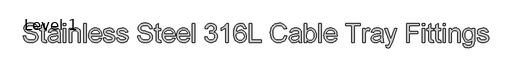
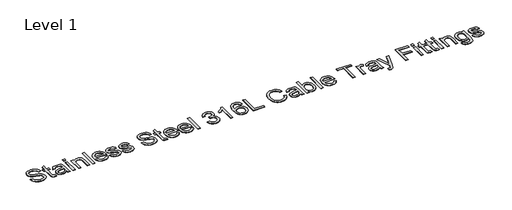
# One storey, part 11 of 15: 1 proxy.
"""IFC4 building model written with IfcOpenShell, lengths in millimetres."""

from ifc_helpers import new_model, si_unit, origin, origin_with_axes, place, context, project, spatial, polyline, outline, extrude, element, save

model = new_model("IFC4")

# Units and contexts
model_context = context("Model", 3, world=origin())
ifc_project = project(units=[si_unit("LENGTHUNIT", "METRE", prefix="MILLI")], contexts=[model_context])

# Site, building, storey
site = spatial("IfcSite", under=ifc_project)
building = spatial("IfcBuilding", under=site)
storey = spatial("IfcBuildingStorey", under=building, Name="Level 1", Elevation=0.0)

# Proxy
placement = place(None, origin())
element("IfcBuildingElementProxy", 1, Name="400mm", ObjectType="400mm", at=placement, inside=storey, context=model_context, shape_type="SweptSolid", body=[
    extrude(outline(polyline([(-15744.8412702, -39448.6970975), (-15695.8715732, -39448.6970975), (-15690.2524918, -39475.8719318), (-15680.0903232, -39497.7146165), (-15664.2373403, -39515.0500805), (-15641.5458157, -39528.7032528), (-15613.8090732, -39537.5622727), (-15582.8204369, -39540.5152794), (-15555.5380032, -39538.2796023), (-15531.6509293, -39531.572571), (-15512.2949871, -39520.9560938), (-15498.6059482, -39506.9920786), (-15490.4642579, -39490.9597633), (-15487.7503611, -39474.1383854), (-15489.7827948, -39457.7474053), (-15495.880096, -39443.5801468), (-15508.2659861, -39431.4931439), (-15529.1641869, -39421.3429309), (-15600.4667437, -39402.6445407), (-15647.2724965, -39390.2706061), (-15677.2210051, -39378.494446), (-15701.5982541, -39362.0197775), (-15718.8739407, -39342.0541051), (-15729.1676196, -39319.0278267), (-15732.598846, -39293.37134), (-15728.3546462, -39264.6901136), (-15715.6220467, -39237.9456771), (-15694.7358015, -39215.2780635), (-15666.0306642, -39198.8273059), (-15631.574935, -39188.8205587), (-15593.4369142, -39185.4849763), (-15552.1187323, -39188.9759801), (-15515.9653232, -39199.4489915), (-15486.2678801, -39216.6888116), (-15464.317596, -39240.4802415), (-15450.4253138, -39269.3408002), (-15444.9018763, -39301.7880066), (-15493.8715732, -39301.7880066), (-15502.8621035, -39272.5687831), (-15521.6083157, -39251.4792945), (-15550.8992721, -39238.7108286), (-15591.5240354, -39234.4546733), (-15633.105238, -39238.6630066), (-15649.0000652, -39243.9234233), (-15661.6310429, -39251.2880066), (-15678.1296225, -39269.8668419), (-15683.629149, -39291.9366809), (-15679.7316585, -39310.754626), (-15668.0391869, -39325.8902794), (-15640.3980884, -39339.4238968), (-15588.0808535, -39353.244446), (-15534.0898498, -39366.3715767), (-15501.4274445, -39377.8249385), (-15473.5113696, -39395.5908002), (-15454.0358725, -39417.5171733), (-15442.5944662, -39443.3649479), (-15438.7806642, -39472.8950142), (-15443.1683299, -39503.0826326), (-15456.331327, -39531.4769271), (-15477.7316585, -39555.9139536), (-15506.831327, -39574.229768), (-15541.8250534, -39585.6711742), (-15580.9075581, -39589.4849763), (-15628.8849492, -39585.3722869), (-15668.3739407, -39573.0342188), (-15699.8288412, -39552.4229498), (-15723.7039596, -39523.4906581), (-15739.0309009, -39488.2458665), (-15744.8412702, -39448.6970975)])), origin_with_axes(), (0.0, 0.0, 1.0), 5.0),
    extrude(outline(polyline([(-15267.3867248, -39542.5238021), (-15261.2655126, -39584.7984233), (-15297.8971414, -39589.4849763), (-15321.4016395, -39587.4525426), (-15338.9283914, -39581.3552415), (-15351.3142816, -39571.9582244), (-15359.3961945, -39560.026643), (-15363.8436376, -39539.534929), (-15365.3261187, -39504.4575142), (-15365.3261187, -39344.6364915), (-15402.0533914, -39344.6364915), (-15402.0533914, -39295.6667945), (-15365.3261187, -39295.6667945), (-15365.3261187, -39225.7510748), (-15316.3564217, -39196.9622491), (-15316.3564217, -39295.6667945), (-15267.3867248, -39295.6667945), (-15267.3867248, -39344.6364915), (-15316.3564217, -39344.6364915), (-15316.3564217, -39503.0228551), (-15313.7740354, -39528.2728551), (-15305.4051907, -39537.2155635), (-15288.7153232, -39540.5152794), (-15267.3867248, -39542.5238021)])), origin_with_axes(), (0.0, 0.0, 1.0), 5.0),
    extrude(outline(polyline([(-15034.7806642, -39546.6364915), (-15058.1775628, -39566.6978078), (-15082.2678801, -39579.8249385), (-15107.6015685, -39587.0699669), (-15134.7285808, -39589.4849763), (-15156.5324101, -39588.032384), (-15175.6522314, -39583.674607), (-15192.0880446, -39576.4116454), (-15205.8398498, -39566.2434991), (-15216.6984258, -39553.8157647), (-15224.4545515, -39539.7740388), (-15229.1082269, -39524.1183215), (-15230.659452, -39506.8486127), (-15228.3161755, -39486.5481866), (-15221.286346, -39468.1128172), (-15210.4427143, -39452.3315672), (-15196.6580316, -39439.9934991), (-15162.3696793, -39423.9253172), (-15119.9994142, -39416.5607339), (-15069.9298119, -39408.8135748), (-15035.067596, -39399.7274006), (-15034.7806642, -39388.8239915), (-15038.152113, -39366.9693513), (-15048.2664596, -39352.6705824), (-15070.8862513, -39342.0541051), (-15102.4009293, -39338.5152794), (-15131.5723308, -39340.8705114), (-15151.9444899, -39347.9362074), (-15165.8367721, -39361.0035606), (-15175.5685429, -39381.3637642), (-15224.5382399, -39375.2425521), (-15216.0378848, -39348.4622491), (-15203.3531073, -39327.4205824), (-15185.3003138, -39311.3284896), (-15160.6959104, -39299.3969081), (-15130.6039359, -39292.0084138), (-15096.0884293, -39289.5455824), (-15062.9836708, -39291.721482), (-15036.7413649, -39298.2491809), (-15016.955025, -39308.0646402), (-15003.2181642, -39320.103821), (-14994.1080789, -39334.9884091), (-14988.2020657, -39353.34009), (-14985.8109672, -39396.1885748), (-14985.8109672, -39457.1137642), (-14983.3242248, -39542.1890483), (-14973.5685429, -39583.3637642), (-15022.5382399, -39583.3637642), (-15030.3810429, -39566.339143), (-15034.7806642, -39546.6364915)]), holes=[polyline([(-15034.7806642, -39448.6970975), (-15067.6821793, -39456.8507434), (-15113.7825581, -39463.713196), (-15155.9137134, -39471.651643), (-15166.8769, -39477.0794366), (-15174.9946793, -39484.5635748), (-15180.0159861, -39493.5301941), (-15181.6897551, -39503.4054309), (-15178.0433299, -39517.9672206), (-15167.1040543, -39529.8988021), (-15149.1110382, -39537.86116), (-15124.3033914, -39540.5152794), (-15098.0013081, -39537.5861837), (-15074.7598308, -39528.7988968), (-15055.9179748, -39515.8510985), (-15042.8147551, -39500.4404688), (-15037.0043857, -39484.5635748), (-15035.067596, -39462.5654688), (-15034.7806642, -39448.6970975)])]), origin_with_axes(), (0.0, 0.0, 1.0), 5.0),
    extrude(outline(polyline([(-14918.4776339, -39583.3637642), (-14918.4776339, -39295.6667945), (-14869.5079369, -39295.6667945), (-14869.5079369, -39583.3637642), (-14918.4776339, -39583.3637642)])), origin_with_axes(), (0.0, 0.0, 1.0), 5.0),
    extrude(outline(polyline([(-14918.4776339, -39240.5758854), (-14918.4776339, -39191.6061885), (-14869.5079369, -39191.6061885), (-14869.5079369, -39240.5758854), (-14918.4776339, -39240.5758854)])), origin_with_axes(), (0.0, 0.0, 1.0), 5.0),
    extrude(outline(polyline([(-14796.0533914, -39583.3637642), (-14796.0533914, -39295.6667945), (-14747.0836945, -39295.6667945), (-14747.0836945, -39335.8372491), (-14730.0710287, -39315.5846449), (-14709.6390922, -39301.1184991), (-14685.7878848, -39292.4388116), (-14658.5174066, -39289.5455824), (-14634.3792674, -39291.8769034), (-14612.2735619, -39298.8708665), (-14593.8381926, -39309.6547206), (-14580.7110619, -39323.355715), (-14571.80422, -39339.937983), (-14566.0297172, -39359.3656581), (-14563.4473308, -39406.7094081), (-14563.4473308, -39583.3637642), (-14612.4170278, -39583.3637642), (-14612.4170278, -39413.30884), (-14613.8277759, -39387.987107), (-14618.0600202, -39369.9821354), (-14625.8669568, -39357.0821591), (-14638.0017816, -39347.0754119), (-14653.5558772, -39340.6553125), (-14671.6206263, -39338.5152794), (-14700.3018526, -39343.3213873), (-14724.7508346, -39357.7397112), (-14734.5214608, -39369.5098935), (-14741.5004795, -39385.5960085), (-14745.6878907, -39405.9980563), (-14747.0836945, -39430.7160369), (-14747.0836945, -39583.3637642), (-14796.0533914, -39583.3637642)])), origin_with_axes(), (0.0, 0.0, 1.0), 5.0),
    extrude(outline(polyline([(-14496.1139975, -39583.3637642), (-14496.1139975, -39191.6061885), (-14447.1443005, -39191.6061885), (-14447.1443005, -39583.3637642), (-14496.1139975, -39583.3637642)])), origin_with_axes(), (0.0, 0.0, 1.0), 5.0),
    extrude(outline(polyline([(-14172.2636187, -39497.6667945), (-14124.2503611, -39503.7880066), (-14131.6119556, -39523.0184162), (-14141.5499587, -39539.9653267), (-14154.0643704, -39554.6287382), (-14169.1551907, -39567.0086506), (-14186.6669982, -39576.8420431), (-14206.4443715, -39583.8658949), (-14252.7958157, -39589.4849763), (-14283.1806997, -39587.0610002), (-14310.2539123, -39579.789072), (-14334.0154535, -39567.6691915), (-14354.4653232, -39550.7013589), (-14370.9101031, -39529.3578161), (-14382.6563744, -39504.1108049), (-14389.7041372, -39474.9603255), (-14392.0533914, -39441.9063778), (-14389.6802262, -39407.7316028), (-14382.5607304, -39377.6097396), (-14370.6949042, -39351.5407884), (-14354.0827475, -39329.5247491), (-14333.6866774, -39312.0338636), (-14310.4691111, -39299.5403741), (-14284.4300486, -39292.0442803), (-14255.5694899, -39289.5455824), (-14227.6384707, -39292.0383026), (-14202.3795041, -39299.5164631), (-14179.7925901, -39311.9800639), (-14159.8777285, -39329.4291051), (-14143.6212477, -39351.3973224), (-14132.0094757, -39377.4184517), (-14125.0424125, -39407.4924929), (-14122.7200581, -39441.619446), (-14123.0069899, -39454.8183097), (-14343.0836945, -39454.8183097), (-14340.2472539, -39474.359562), (-14334.6072503, -39491.4738494), (-14326.1636838, -39506.1611719), (-14314.9165543, -39518.4215294), (-14286.4983488, -39534.9918419), (-14251.8393763, -39540.5152794), (-14225.7764028, -39537.956804), (-14203.8261187, -39530.2813778), (-14185.988524, -39517.0107813), (-14172.2636187, -39497.6667945)]), holes=[polyline([(-14343.0836945, -39405.8486127), (-14171.6897551, -39405.8486127), (-14178.3130979, -39379.9769271), (-14191.2967626, -39361.4698248), (-14204.6510477, -39351.4272112), (-14219.8464785, -39344.2539157), (-14255.7607778, -39338.5152794), (-14288.7698924, -39343.094233), (-14316.0642816, -39356.8310938), (-14335.0376481, -39378.2433807), (-14343.0836945, -39405.8486127)])]), origin_with_axes(), (0.0, 0.0, 1.0), 5.0),
    extrude(outline(polyline([(-14092.1139975, -39497.6667945), (-14043.1443005, -39491.5455824), (-14035.4210524, -39512.4916051), (-14020.4766869, -39527.8902794), (-13998.21556, -39537.3590294), (-13968.5420278, -39540.5152794), (-13939.2271604, -39537.6220502), (-13918.6158914, -39528.9423627), (-13906.4212892, -39516.3651847), (-13902.3564217, -39501.7794839), (-13906.4452001, -39489.2979498), (-13918.7115354, -39479.7813778), (-13969.1158914, -39465.8173627), (-14042.8573687, -39441.8585559), (-14061.5198924, -39429.819375), (-14075.0415543, -39413.8827036), (-14083.2549776, -39395.0647585), (-14085.9927854, -39374.3817566), (-14083.7929748, -39355.4083902), (-14077.1935429, -39337.8935938), (-14066.7922645, -39322.530786), (-14053.1869142, -39310.0133854), (-14022.0548119, -39295.5233286), (-13979.9236566, -39289.5455824), (-13948.0503138, -39291.9486364), (-13920.3374823, -39299.1577983), (-13898.0524445, -39310.4676941), (-13882.4624823, -39325.1729498), (-13872.1329369, -39344.3615152), (-13865.629149, -39369.12134), (-13914.598846, -39375.2425521), (-13920.7798356, -39359.8319224), (-13933.0103043, -39348.2231392), (-13951.4098071, -39340.9422443), (-13976.097899, -39338.5152794), (-14004.2172172, -39340.8346449), (-14022.9634293, -39347.7927415), (-14033.5081736, -39357.8353551), (-14037.0230884, -39369.4082718), (-14031.1888081, -39383.6592188), (-14012.9208157, -39394.4669839), (-13970.7418384, -39404.8921733), (-13898.8654179, -39427.9423627), (-13879.880096, -39438.9653267), (-13865.4856831, -39454.0531581), (-13856.4114643, -39473.253679), (-13853.3867248, -39496.6147112), (-13856.937506, -39520.7648059), (-13867.5898498, -39543.4802415), (-13884.9372693, -39562.9796496), (-13908.5732778, -39577.4816619), (-13937.1229937, -39586.4841477), (-13969.2115354, -39589.4849763), (-13995.5674184, -39588.0383617), (-14018.5877191, -39583.698518), (-14038.2724374, -39576.4654451), (-14054.6215732, -39566.339143), (-14067.9758583, -39553.3674337), (-14078.676024, -39537.5981392), (-14086.7220704, -39519.0312595), (-14092.1139975, -39497.6667945)])), origin_with_axes(), (0.0, 0.0, 1.0), 5.0),
    extrude(outline(polyline([(-13816.659452, -39497.6667945), (-13767.6897551, -39491.5455824), (-13759.966507, -39512.4916051), (-13745.0221414, -39527.8902794), (-13722.7610145, -39537.3590294), (-13693.0874823, -39540.5152794), (-13663.7726149, -39537.6220502), (-13643.161346, -39528.9423627), (-13630.9667437, -39516.3651847), (-13626.9018763, -39501.7794839), (-13630.9906547, -39489.2979498), (-13643.2569899, -39479.7813778), (-13693.661346, -39465.8173627), (-13767.4028232, -39441.8585559), (-13786.0653469, -39429.819375), (-13799.5870089, -39413.8827036), (-13807.8004321, -39395.0647585), (-13810.5382399, -39374.3817566), (-13808.3384293, -39355.4083902), (-13801.7389975, -39337.8935938), (-13791.3377191, -39322.530786), (-13777.7323687, -39310.0133854), (-13746.6002664, -39295.5233286), (-13704.4691111, -39289.5455824), (-13672.5957683, -39291.9486364), (-13644.8829369, -39299.1577983), (-13622.597899, -39310.4676941), (-13607.0079369, -39325.1729498), (-13596.6783914, -39344.3615152), (-13590.1746035, -39369.12134), (-13639.1443005, -39375.2425521), (-13645.3252901, -39359.8319224), (-13657.5557589, -39348.2231392), (-13675.9552617, -39340.9422443), (-13700.6433535, -39338.5152794), (-13728.7626717, -39340.8346449), (-13747.5088839, -39347.7927415), (-13758.0536282, -39357.8353551), (-13761.5685429, -39369.4082718), (-13755.7342626, -39383.6592188), (-13737.4662702, -39394.4669839), (-13695.2872929, -39404.8921733), (-13623.4108725, -39427.9423627), (-13604.4255505, -39438.9653267), (-13590.0311376, -39454.0531581), (-13580.9569189, -39473.253679), (-13577.9321793, -39496.6147112), (-13581.4829606, -39520.7648059), (-13592.1353043, -39543.4802415), (-13609.4827238, -39562.9796496), (-13633.1187323, -39577.4816619), (-13661.6684482, -39586.4841477), (-13693.7569899, -39589.4849763), (-13720.112873, -39588.0383617), (-13743.1331736, -39583.698518), (-13762.8178919, -39576.4654451), (-13779.1670278, -39566.339143), (-13792.5213128, -39553.3674337), (-13803.2214785, -39537.5981392), (-13811.267525, -39519.0312595), (-13816.659452, -39497.6667945)])), origin_with_axes(), (0.0, 0.0, 1.0), 5.0),
    extrude(outline(polyline([(-13382.0533914, -39448.6970975), (-13333.0836945, -39448.6970975), (-13327.464613, -39475.8719318), (-13317.3024445, -39497.7146165), (-13301.4494615, -39515.0500805), (-13278.7579369, -39528.7032528), (-13251.0211945, -39537.5622727), (-13220.0325581, -39540.5152794), (-13192.7501244, -39538.2796023), (-13168.8630505, -39531.572571), (-13149.5071083, -39520.9560938), (-13135.8180695, -39506.9920786), (-13127.6763791, -39490.9597633), (-13124.9624823, -39474.1383854), (-13126.994916, -39457.7474053), (-13133.0922172, -39443.5801468), (-13145.4781073, -39431.4931439), (-13166.3763081, -39421.3429309), (-13237.6788649, -39402.6445407), (-13284.4846178, -39390.2706061), (-13314.4331263, -39378.494446), (-13338.8103753, -39362.0197775), (-13356.0860619, -39342.0541051), (-13366.3797409, -39319.0278267), (-13369.8109672, -39293.37134), (-13365.5667674, -39264.6901136), (-13352.8341679, -39237.9456771), (-13331.9479227, -39215.2780635), (-13303.2427854, -39198.8273059), (-13268.7870562, -39188.8205587), (-13230.6490354, -39185.4849763), (-13189.3308535, -39188.9759801), (-13153.1774445, -39199.4489915), (-13123.4800013, -39216.6888116), (-13101.5297172, -39240.4802415), (-13087.637435, -39269.3408002), (-13082.1139975, -39301.7880066), (-13131.0836945, -39301.7880066), (-13140.0742248, -39272.5687831), (-13158.8204369, -39251.4792945), (-13188.1113933, -39238.7108286), (-13228.7361566, -39234.4546733), (-13270.3173592, -39238.6630066), (-13286.2121864, -39243.9234233), (-13298.8431642, -39251.2880066), (-13315.3417437, -39269.8668419), (-13320.8412702, -39291.9366809), (-13316.9437797, -39310.754626), (-13305.2513081, -39325.8902794), (-13277.6102096, -39339.4238968), (-13225.2929748, -39353.244446), (-13171.301971, -39366.3715767), (-13138.6395657, -39377.8249385), (-13110.7234909, -39395.5908002), (-13091.2479937, -39417.5171733), (-13079.8065875, -39443.3649479), (-13075.9927854, -39472.8950142), (-13080.3804511, -39503.0826326), (-13093.5434482, -39531.4769271), (-13114.9437797, -39555.9139536), (-13144.0434482, -39574.229768), (-13179.0371746, -39585.6711742), (-13218.1196793, -39589.4849763), (-13266.0970704, -39585.3722869), (-13305.5860619, -39573.0342188), (-13337.0409625, -39552.4229498), (-13360.9160808, -39523.4906581), (-13376.2430221, -39488.2458665), (-13382.0533914, -39448.6970975)])), origin_with_axes(), (0.0, 0.0, 1.0), 5.0),
    extrude(outline(polyline([(-12904.598846, -39542.5238021), (-12898.4776339, -39584.7984233), (-12935.1092626, -39589.4849763), (-12958.6137607, -39587.4525426), (-12976.1405126, -39581.3552415), (-12988.5264028, -39571.9582244), (-12996.6083157, -39560.026643), (-13001.0557589, -39539.534929), (-13002.5382399, -39504.4575142), (-13002.5382399, -39344.6364915), (-13039.2655126, -39344.6364915), (-13039.2655126, -39295.6667945), (-13002.5382399, -39295.6667945), (-13002.5382399, -39225.7510748), (-12953.5685429, -39196.9622491), (-12953.5685429, -39295.6667945), (-12904.598846, -39295.6667945), (-12904.598846, -39344.6364915), (-12953.5685429, -39344.6364915), (-12953.5685429, -39503.0228551), (-12950.9861566, -39528.2728551), (-12942.6173119, -39537.2155635), (-12925.9274445, -39540.5152794), (-12904.598846, -39542.5238021)])), origin_with_axes(), (0.0, 0.0, 1.0), 5.0),
    extrude(outline(polyline([(-12654.2030126, -39497.6667945), (-12606.1897551, -39503.7880066), (-12613.5513495, -39523.0184162), (-12623.4893526, -39539.9653267), (-12636.0037643, -39554.6287382), (-12651.0945846, -39567.0086506), (-12668.6063921, -39576.8420431), (-12688.3837655, -39583.8658949), (-12734.7352096, -39589.4849763), (-12765.1200936, -39587.0610002), (-12792.1933062, -39579.789072), (-12815.9548474, -39567.6691915), (-12836.4047172, -39550.7013589), (-12852.849497, -39529.3578161), (-12864.5957683, -39504.1108049), (-12871.6435311, -39474.9603255), (-12873.9927854, -39441.9063778), (-12871.6196201, -39407.7316028), (-12864.5001244, -39377.6097396), (-12852.6342982, -39351.5407884), (-12836.0221414, -39329.5247491), (-12815.6260714, -39312.0338636), (-12792.4085051, -39299.5403741), (-12766.3694426, -39292.0442803), (-12737.5088839, -39289.5455824), (-12709.5778647, -39292.0383026), (-12684.3188981, -39299.5164631), (-12661.731984, -39311.9800639), (-12641.8171225, -39329.4291051), (-12625.5606417, -39351.3973224), (-12613.9488696, -39377.4184517), (-12606.9818064, -39407.4924929), (-12604.659452, -39441.619446), (-12604.9463839, -39454.8183097), (-12825.0230884, -39454.8183097), (-12822.1866478, -39474.359562), (-12816.5466443, -39491.4738494), (-12808.1030777, -39506.1611719), (-12796.8559482, -39518.4215294), (-12768.4377428, -39534.9918419), (-12733.7787702, -39540.5152794), (-12707.7157967, -39537.956804), (-12685.7655126, -39530.2813778), (-12667.9279179, -39517.0107813), (-12654.2030126, -39497.6667945)]), holes=[polyline([(-12825.0230884, -39405.8486127), (-12653.629149, -39405.8486127), (-12660.2524918, -39379.9769271), (-12673.2361566, -39361.4698248), (-12686.5904416, -39351.4272112), (-12701.7858725, -39344.2539157), (-12737.7001717, -39338.5152794), (-12770.7092863, -39343.094233), (-12798.0036755, -39356.8310938), (-12816.977042, -39378.2433807), (-12825.0230884, -39405.8486127)])]), origin_with_axes(), (0.0, 0.0, 1.0), 5.0),
    extrude(outline(polyline([(-12354.2636187, -39497.6667945), (-12306.2503611, -39503.7880066), (-12313.6119556, -39523.0184162), (-12323.5499587, -39539.9653267), (-12336.0643704, -39554.6287382), (-12351.1551907, -39567.0086506), (-12368.6669982, -39576.8420431), (-12388.4443715, -39583.8658949), (-12434.7958157, -39589.4849763), (-12465.1806997, -39587.0610002), (-12492.2539123, -39579.789072), (-12516.0154535, -39567.6691915), (-12536.4653232, -39550.7013589), (-12552.9101031, -39529.3578161), (-12564.6563744, -39504.1108049), (-12571.7041372, -39474.9603255), (-12574.0533914, -39441.9063778), (-12571.6802262, -39407.7316028), (-12564.5607304, -39377.6097396), (-12552.6949042, -39351.5407884), (-12536.0827475, -39329.5247491), (-12515.6866774, -39312.0338636), (-12492.4691111, -39299.5403741), (-12466.4300486, -39292.0442803), (-12437.5694899, -39289.5455824), (-12409.6384707, -39292.0383026), (-12384.3795041, -39299.5164631), (-12361.7925901, -39311.9800639), (-12341.8777285, -39329.4291051), (-12325.6212477, -39351.3973224), (-12314.0094757, -39377.4184517), (-12307.0424125, -39407.4924929), (-12304.7200581, -39441.619446), (-12305.0069899, -39454.8183097), (-12525.0836945, -39454.8183097), (-12522.2472539, -39474.359562), (-12516.6072503, -39491.4738494), (-12508.1636838, -39506.1611719), (-12496.9165543, -39518.4215294), (-12468.4983488, -39534.9918419), (-12433.8393763, -39540.5152794), (-12407.7764028, -39537.956804), (-12385.8261187, -39530.2813778), (-12367.988524, -39517.0107813), (-12354.2636187, -39497.6667945)]), holes=[polyline([(-12525.0836945, -39405.8486127), (-12353.6897551, -39405.8486127), (-12360.3130979, -39379.9769271), (-12373.2967626, -39361.4698248), (-12386.6510477, -39351.4272112), (-12401.8464785, -39344.2539157), (-12437.7607778, -39338.5152794), (-12470.7698924, -39343.094233), (-12498.0642816, -39356.8310938), (-12517.0376481, -39378.2433807), (-12525.0836945, -39405.8486127)])]), origin_with_axes(), (0.0, 0.0, 1.0), 5.0),
    extrude(outline(polyline([(-12255.7503611, -39583.3637642), (-12255.7503611, -39191.6061885), (-12206.7806642, -39191.6061885), (-12206.7806642, -39583.3637642), (-12255.7503611, -39583.3637642)])), origin_with_axes(), (0.0, 0.0, 1.0), 5.0),
    extrude(outline(polyline([(-11992.5382399, -39479.3031581), (-11943.5685429, -39473.181946), (-11932.6053564, -39503.9553835), (-11916.5491301, -39524.7340294), (-11894.6108015, -39536.5699669), (-11866.0013081, -39540.5152794), (-11832.4302854, -39535.0874858), (-11818.5140922, -39528.3027438), (-11806.5107778, -39518.8041051), (-11789.9404653, -39494.5105445), (-11784.4170278, -39465.0522112), (-11789.8926433, -39437.0883144), (-11806.3194899, -39414.4087453), (-11831.1869142, -39399.3806913), (-11861.9842626, -39394.37134), (-11896.3204369, -39399.7274006), (-11890.8687323, -39350.7577036), (-11883.0259293, -39351.3315672), (-11853.6871509, -39347.8166525), (-11827.4568005, -39337.2719081), (-11816.6609909, -39329.2975947), (-11808.9496982, -39319.4343135), (-11804.3229227, -39307.6820644), (-11802.7806642, -39294.0408475), (-11807.2520183, -39272.8915814), (-11820.6660808, -39255.7354498), (-11841.1338839, -39244.3657765), (-11866.7664596, -39240.5758854), (-11892.4468573, -39244.401643), (-11913.440702, -39255.8789157), (-11928.7676433, -39275.0077036), (-11937.4473308, -39301.7880066), (-11986.4170278, -39295.6667945), (-11980.6126362, -39272.2878291), (-11971.9987039, -39251.6944934), (-11960.5752309, -39233.8867874), (-11946.3422172, -39218.8647112), (-11929.7479937, -39206.9391075), (-11911.2408914, -39198.4208191), (-11890.8209104, -39193.3098461), (-11868.4880505, -39191.6061885), (-11837.7026575, -39194.9656818), (-11809.4279179, -39205.0441619), (-11785.588666, -39220.9449669), (-11768.1097361, -39241.7714347), (-11757.3856594, -39265.766108), (-11753.8109672, -39291.1715294), (-11757.206327, -39314.8434044), (-11767.3924066, -39336.3154688), (-11784.2257399, -39354.6073722), (-11807.5628611, -39368.7387642), (-11776.9089785, -39381.1246544), (-11754.1935429, -39402.214143), (-11740.1338839, -39430.8595028), (-11735.4473308, -39465.9130066), (-11737.7906073, -39490.7565199), (-11744.8204369, -39513.6393324), (-11756.5368195, -39534.5614441), (-11772.9397551, -39553.5228551), (-11792.9233607, -39569.2562831), (-11815.3817532, -39580.494446), (-11840.3149326, -39587.2373438), (-11867.722899, -39589.4849763), (-11892.4946793, -39587.5661198), (-11915.066649, -39581.8095502), (-11935.4388081, -39572.2152675), (-11953.6111566, -39558.7832718), (-11968.8484317, -39542.3026255), (-11980.4153706, -39523.5623911), (-11988.3119733, -39502.5625687), (-11992.5382399, -39479.3031581)])), origin_with_axes(), (0.0, 0.0, 1.0), 5.0),
    extrude(outline(polyline([(-11508.9624823, -39583.3637642), (-11557.9321793, -39583.3637642), (-11557.9321793, -39278.0683097), (-11578.3760714, -39294.6027557), (-11604.3194899, -39311.1132907), (-11655.8715732, -39335.8372491), (-11655.8715732, -39289.5455824), (-11617.4107541, -39268.6234706), (-11584.0907967, -39243.7321354), (-11557.8245799, -39217.2626752), (-11540.5249823, -39191.6061885), (-11508.9624823, -39191.6061885), (-11508.9624823, -39583.3637642)])), origin_with_axes(), (0.0, 0.0, 1.0), 5.0),
    extrude(outline(polyline([(-11141.6897551, -39295.6667945), (-11190.659452, -39301.7880066), (-11198.550077, -39277.518357), (-11209.2143763, -39260.9480445), (-11231.4276812, -39245.6689252), (-11258.2797172, -39240.5758854), (-11281.0429748, -39243.5408475), (-11302.4672172, -39252.4357339), (-11320.86672, -39271.1699905), (-11335.894774, -39296.9579877), (-11346.0449871, -39333.4341951), (-11349.8109672, -39384.2330824), (-11330.1680931, -39361.3144034), (-11306.6277285, -39345.1625331), (-11280.5049776, -39335.5861837), (-11253.1149445, -39332.3940672), (-11229.5865354, -39334.5759446), (-11207.8753611, -39341.1215767), (-11187.9814217, -39352.0309635), (-11169.9047172, -39367.3041051), (-11154.882641, -39386.032384), (-11144.1525865, -39407.3071828), (-11137.7145538, -39431.1285014), (-11135.5685429, -39457.49634), (-11139.6094994, -39492.5617992), (-11151.7323687, -39525.0687831), (-11170.9328895, -39552.6381487), (-11196.2068005, -39572.8907528), (-11226.4063744, -39585.3364205), (-11260.3838839, -39589.4849763), (-11289.5762075, -39586.7352131), (-11315.9410571, -39578.4859233), (-11339.4784329, -39564.737107), (-11360.1883346, -39545.4887642), (-11377.0724788, -39519.9279214), (-11389.1325818, -39487.2416051), (-11396.3686436, -39447.4298153), (-11398.7806642, -39400.4925521), (-11396.1026339, -39347.8704522), (-11388.0685429, -39302.9596449), (-11374.6783914, -39265.7601302), (-11355.9321793, -39236.2719081), (-11335.6138199, -39216.7306558), (-11312.0555221, -39202.7726184), (-11285.2572858, -39194.3977959), (-11255.2191111, -39191.6061885), (-11232.6650747, -39193.3337571), (-11212.2510714, -39198.5164631), (-11193.9771012, -39207.1543063), (-11177.8431642, -39219.2472869), (-11164.2856357, -39234.3889181), (-11153.7408914, -39252.1727131), (-11146.2089312, -39272.5986719), (-11141.6897551, -39295.6667945)]), holes=[polyline([(-11349.8109672, -39456.7311885), (-11346.9775155, -39478.4304072), (-11338.4771604, -39499.1492756), (-11325.2782967, -39516.9629593), (-11308.3493195, -39529.9466241), (-11287.9173829, -39537.8731155), (-11264.2096414, -39540.5152794), (-11231.8939454, -39535.0396638), (-11218.3274504, -39528.1951444), (-11206.488524, -39518.6128172), (-11196.8852747, -39506.6812358), (-11190.0258109, -39492.7889536), (-11184.5382399, -39459.1222869), (-11189.954078, -39426.8065909), (-11196.7238756, -39413.5270277), (-11206.2015922, -39402.166321), (-11218.076385, -39393.0652024), (-11232.0374113, -39386.5644034), (-11266.2181642, -39381.3637642), (-11298.4860382, -39386.5644034), (-11325.4695846, -39402.166321), (-11336.1189395, -39413.377584), (-11343.7256215, -39426.2088163), (-11348.2896308, -39440.6600178), (-11349.8109672, -39456.7311885)])]), origin_with_axes(), (0.0, 0.0, 1.0), 5.0),
    extrude(outline(polyline([(-11074.3564217, -39583.3637642), (-11074.3564217, -39191.6061885), (-11025.3867248, -39191.6061885), (-11025.3867248, -39534.3940672), (-10829.5079369, -39534.3940672), (-10829.5079369, -39583.3637642), (-11074.3564217, -39583.3637642)])), origin_with_axes(), (0.0, 0.0, 1.0), 5.0),
    extrude(outline(polyline([(-10345.9321793, -39444.1061885), (-10296.9624823, -39456.7311885), (-10306.6524089, -39487.1848165), (-10319.558363, -39513.7947538), (-10335.6803446, -39536.5610002), (-10355.0183535, -39555.4835559), (-10377.1360145, -39570.3591773), (-10401.596952, -39580.9846212), (-10428.401166, -39587.3598876), (-10457.5486566, -39589.4849763), (-10487.4104878, -39587.8769626), (-10514.3492011, -39583.0529214), (-10538.3647965, -39575.0128528), (-10559.457274, -39563.7567566), (-10577.9165543, -39549.4520099), (-10594.0325581, -39532.2659896), (-10607.8052854, -39512.1986956), (-10619.2347361, -39489.2501278), (-10634.6214549, -39438.6783949), (-10639.7503611, -39384.5200142), (-10633.9519473, -39327.3966714), (-10626.70393, -39301.7581179), (-10616.5567058, -39278.0683097), (-10603.7374291, -39256.7187891), (-10588.4732541, -39238.1010985), (-10570.764181, -39222.2152379), (-10550.6102096, -39209.0612074), (-10505.7053801, -39191.3790341), (-10456.4965732, -39185.4849763), (-10428.4878434, -39187.3918774), (-10402.8044568, -39193.1125805), (-10379.4464134, -39202.6470857), (-10358.4137134, -39215.995393), (-10340.0530659, -39232.8048153), (-10324.7111803, -39252.7226657), (-10312.3880564, -39275.7489441), (-10303.0836945, -39301.8836506), (-10352.0533914, -39313.5522112), (-10369.0301907, -39277.8411553), (-10392.223846, -39253.3443513), (-10421.9212892, -39239.1770928), (-10458.409452, -39234.4546733), (-10500.4688744, -39239.691179), (-10535.0202475, -39255.400696), (-10561.2386424, -39279.9333665), (-10578.2991301, -39311.6393324), (-10587.6602806, -39347.4818987), (-10590.7806642, -39384.4243703), (-10587.086417, -39429.6639536), (-10576.0036755, -39468.7823248), (-10557.1139975, -39500.2850474), (-10529.9989407, -39522.6776847), (-10497.4919568, -39536.0558807), (-10462.4264975, -39540.5152794), (-10441.1367544, -39538.9969318), (-10421.5506689, -39534.4418892), (-10403.6682411, -39526.8501515), (-10387.489471, -39516.2217188), (-10373.3969343, -39502.6044129), (-10361.7732068, -39486.0460559), (-10352.6182884, -39466.5466477), (-10345.9321793, -39444.1061885)])), origin_with_axes(), (0.0, 0.0, 1.0), 5.0),
    extrude(outline(polyline([(-10052.1139975, -39546.6364915), (-10075.5108962, -39566.6978078), (-10099.6012134, -39579.8249385), (-10124.9349018, -39587.0699669), (-10152.0619142, -39589.4849763), (-10173.8657435, -39588.032384), (-10192.9855647, -39583.674607), (-10209.4213779, -39576.4116454), (-10223.1731831, -39566.2434991), (-10234.0317591, -39553.8157647), (-10241.7878848, -39539.7740388), (-10246.4415602, -39524.1183215), (-10247.9927854, -39506.8486127), (-10245.6495089, -39486.5481866), (-10238.6196793, -39468.1128172), (-10227.7760477, -39452.3315672), (-10213.9913649, -39439.9934991), (-10179.7030126, -39423.9253172), (-10137.3327475, -39416.5607339), (-10087.2631452, -39408.8135748), (-10052.4009293, -39399.7274006), (-10052.1139975, -39388.8239915), (-10055.4854464, -39366.9693513), (-10065.5997929, -39352.6705824), (-10088.2195846, -39342.0541051), (-10119.7342626, -39338.5152794), (-10148.9056642, -39340.8705114), (-10169.2778232, -39347.9362074), (-10183.1701054, -39361.0035606), (-10192.9018763, -39381.3637642), (-10241.8715732, -39375.2425521), (-10233.3712181, -39348.4622491), (-10220.6864407, -39327.4205824), (-10202.6336471, -39311.3284896), (-10178.0292437, -39299.3969081), (-10147.9372693, -39292.0084138), (-10113.4217626, -39289.5455824), (-10080.3170041, -39291.721482), (-10054.0746982, -39298.2491809), (-10034.2883583, -39308.0646402), (-10020.5514975, -39320.103821), (-10011.4414123, -39334.9884091), (-10005.535399, -39353.34009), (-10003.1443005, -39396.1885748), (-10003.1443005, -39457.1137642), (-10000.6575581, -39542.1890483), (-9990.9018763, -39583.3637642), (-10039.8715732, -39583.3637642), (-10047.7143763, -39566.339143), (-10052.1139975, -39546.6364915)]), holes=[polyline([(-10052.1139975, -39448.6970975), (-10085.0155126, -39456.8507434), (-10131.1158914, -39463.713196), (-10173.2470467, -39471.651643), (-10184.2102333, -39477.0794366), (-10192.3280126, -39484.5635748), (-10197.3493195, -39493.5301941), (-10199.0230884, -39503.4054309), (-10195.3766632, -39517.9672206), (-10184.4373876, -39529.8988021), (-10166.4443715, -39537.86116), (-10141.6367248, -39540.5152794), (-10115.3346414, -39537.5861837), (-10092.0931642, -39528.7988968), (-10073.2513081, -39515.8510985), (-10060.1480884, -39500.4404688), (-10054.3377191, -39484.5635748), (-10052.4009293, -39462.5654688), (-10052.1139975, -39448.6970975)])]), origin_with_axes(), (0.0, 0.0, 1.0), 5.0),
    extrude(outline(polyline([(-9886.8412702, -39583.3637642), (-9935.8109672, -39583.3637642), (-9935.8109672, -39191.6061885), (-9886.8412702, -39191.6061885), (-9886.8412702, -39336.8893324), (-9870.7372219, -39316.1764418), (-9852.5529179, -39301.3815199), (-9832.2883583, -39292.5045668), (-9809.9435429, -39289.5455824), (-9784.7174539, -39292.2116572), (-9760.878202, -39300.2098816), (-9739.7887134, -39313.038125), (-9722.8119142, -39330.1942566), (-9709.5054511, -39351.5108996), (-9699.426971, -39376.8206771), (-9693.0786045, -39405.0715057), (-9690.9624823, -39435.2113021), (-9693.1533263, -39469.9898296), (-9699.7258583, -39500.5839347), (-9710.6800782, -39526.9936174), (-9726.0159861, -39549.2188778), (-9744.4244556, -39566.8352959), (-9764.5963602, -39579.4184517), (-9786.5316999, -39586.9683452), (-9810.2304748, -39589.4849763), (-9833.3105529, -39586.2390601), (-9853.7723782, -39576.5013116), (-9871.6159506, -39560.2717306), (-9886.8412702, -39537.5503172), (-9886.8412702, -39583.3637642)]), holes=[polyline([(-9886.8412702, -39437.5067566), (-9883.4937323, -39478.3467188), (-9873.4511187, -39505.9878172), (-9861.5852925, -39521.0935819), (-9847.794632, -39531.8834138), (-9832.0791372, -39538.357313), (-9814.4388081, -39540.5152794), (-9799.7933299, -39538.9251989), (-9786.176024, -39534.1549574), (-9762.0259293, -39515.0739915), (-9752.3599137, -39500.7931558), (-9745.4556168, -39483.3919366), (-9739.9321793, -39439.2283475), (-9745.2284625, -39394.4191619), (-9751.8488164, -39377.0717424), (-9761.1173119, -39363.0957718), (-9784.5142106, -39344.6604025), (-9797.8714845, -39340.0515601), (-9812.3346414, -39338.5152794), (-9826.9801196, -39340.1053599), (-9840.5974255, -39344.8756013), (-9864.7475202, -39363.9565672), (-9874.4135358, -39378.093937), (-9881.3178327, -39395.0647585), (-9886.8412702, -39437.5067566)])]), origin_with_axes(), (0.0, 0.0, 1.0), 5.0),
    extrude(outline(polyline([(-9635.8715732, -39583.3637642), (-9635.8715732, -39191.6061885), (-9586.9018763, -39191.6061885), (-9586.9018763, -39583.3637642), (-9635.8715732, -39583.3637642)])), origin_with_axes(), (0.0, 0.0, 1.0), 5.0),
    extrude(outline(polyline([(-9312.0211945, -39497.6667945), (-9264.0079369, -39503.7880066), (-9271.3695313, -39523.0184162), (-9281.3075344, -39539.9653267), (-9293.8219461, -39554.6287382), (-9308.9127664, -39567.0086506), (-9326.424574, -39576.8420431), (-9346.2019473, -39583.8658949), (-9392.5533914, -39589.4849763), (-9422.9382754, -39587.0610002), (-9450.011488, -39579.789072), (-9473.7730292, -39567.6691915), (-9494.222899, -39550.7013589), (-9510.6676788, -39529.3578161), (-9522.4139501, -39504.1108049), (-9529.4617129, -39474.9603255), (-9531.8109672, -39441.9063778), (-9529.4378019, -39407.7316028), (-9522.3183062, -39377.6097396), (-9510.45248, -39351.5407884), (-9493.8403232, -39329.5247491), (-9473.4442532, -39312.0338636), (-9450.2266869, -39299.5403741), (-9424.1876244, -39292.0442803), (-9395.3270657, -39289.5455824), (-9367.3960465, -39292.0383026), (-9342.1370799, -39299.5164631), (-9319.5501658, -39311.9800639), (-9299.6353043, -39329.4291051), (-9283.3788235, -39351.3973224), (-9271.7670515, -39377.4184517), (-9264.7999883, -39407.4924929), (-9262.4776339, -39441.619446), (-9262.7645657, -39454.8183097), (-9482.8412702, -39454.8183097), (-9480.0048296, -39474.359562), (-9474.3648261, -39491.4738494), (-9465.9212596, -39506.1611719), (-9454.6741301, -39518.4215294), (-9426.2559246, -39534.9918419), (-9391.596952, -39540.5152794), (-9365.5339785, -39537.956804), (-9343.5836945, -39530.2813778), (-9325.7460998, -39517.0107813), (-9312.0211945, -39497.6667945)]), holes=[polyline([(-9482.8412702, -39405.8486127), (-9311.4473308, -39405.8486127), (-9318.0706736, -39379.9769271), (-9331.0543384, -39361.4698248), (-9344.4086234, -39351.4272112), (-9359.6040543, -39344.2539157), (-9395.5183535, -39338.5152794), (-9428.5274681, -39343.094233), (-9455.8218573, -39356.8310938), (-9474.7952238, -39378.2433807), (-9482.8412702, -39405.8486127)])]), origin_with_axes(), (0.0, 0.0, 1.0), 5.0),
    extrude(outline(polyline([(-8956.4170278, -39583.3637642), (-8956.4170278, -39240.5758854), (-9084.9624823, -39240.5758854), (-9084.9624823, -39191.6061885), (-8778.9018763, -39191.6061885), (-8778.9018763, -39240.5758854), (-8907.4473308, -39240.5758854), (-8907.4473308, -39583.3637642), (-8956.4170278, -39583.3637642)])), origin_with_axes(), (0.0, 0.0, 1.0), 5.0),
    extrude(outline(polyline([(-8729.9321793, -39583.3637642), (-8729.9321793, -39295.6667945), (-8687.0836945, -39295.6667945), (-8687.0836945, -39338.2283475), (-8671.2546225, -39313.5522112), (-8656.6689217, -39299.0143324), (-8642.035399, -39291.9127699), (-8626.0628611, -39289.5455824), (-8601.6736566, -39293.323518), (-8576.9018763, -39304.6573248), (-8593.2569899, -39348.557893), (-8610.472899, -39341.0259328), (-8627.6888081, -39338.5152794), (-8642.3103753, -39340.9302888), (-8655.3777285, -39348.1753172), (-8665.9344284, -39359.7004119), (-8673.0240354, -39374.9556203), (-8678.9778706, -39402.3097869), (-8680.9624823, -39432.150696), (-8680.9624823, -39583.3637642), (-8729.9321793, -39583.3637642)])), origin_with_axes(), (0.0, 0.0, 1.0), 5.0),
    extrude(outline(polyline([(-8362.659452, -39546.6364915), (-8386.0563507, -39566.6978078), (-8410.1466679, -39579.8249385), (-8435.4803564, -39587.0699669), (-8462.6073687, -39589.4849763), (-8484.411198, -39588.032384), (-8503.5310193, -39583.674607), (-8519.9668325, -39576.4116454), (-8533.7186376, -39566.2434991), (-8544.5772136, -39553.8157647), (-8552.3333393, -39539.7740388), (-8556.9870148, -39524.1183215), (-8558.5382399, -39506.8486127), (-8556.1949634, -39486.5481866), (-8549.1651339, -39468.1128172), (-8538.3215022, -39452.3315672), (-8524.5368195, -39439.9934991), (-8490.2484672, -39423.9253172), (-8447.878202, -39416.5607339), (-8397.8085998, -39408.8135748), (-8362.9463839, -39399.7274006), (-8362.659452, -39388.8239915), (-8366.0309009, -39366.9693513), (-8376.1452475, -39352.6705824), (-8398.7650392, -39342.0541051), (-8430.2797172, -39338.5152794), (-8459.4511187, -39340.8705114), (-8479.8232778, -39347.9362074), (-8493.71556, -39361.0035606), (-8503.4473308, -39381.3637642), (-8552.4170278, -39375.2425521), (-8543.9166727, -39348.4622491), (-8531.2318952, -39327.4205824), (-8513.1791017, -39311.3284896), (-8488.5746982, -39299.3969081), (-8458.4827238, -39292.0084138), (-8423.9672172, -39289.5455824), (-8390.8624587, -39291.721482), (-8364.6201528, -39298.2491809), (-8344.8338128, -39308.0646402), (-8331.096952, -39320.103821), (-8321.9868668, -39334.9884091), (-8316.0808535, -39353.34009), (-8313.6897551, -39396.1885748), (-8313.6897551, -39457.1137642), (-8311.2030126, -39542.1890483), (-8301.4473308, -39583.3637642), (-8350.4170278, -39583.3637642), (-8358.2598308, -39566.339143), (-8362.659452, -39546.6364915)]), holes=[polyline([(-8362.659452, -39448.6970975), (-8395.5609672, -39456.8507434), (-8441.661346, -39463.713196), (-8483.7925013, -39471.651643), (-8494.7556878, -39477.0794366), (-8502.8734672, -39484.5635748), (-8507.894774, -39493.5301941), (-8509.5685429, -39503.4054309), (-8505.9221178, -39517.9672206), (-8494.9828422, -39529.8988021), (-8476.9898261, -39537.86116), (-8452.1821793, -39540.5152794), (-8425.880096, -39537.5861837), (-8402.6386187, -39528.7988968), (-8383.7967626, -39515.8510985), (-8370.6935429, -39500.4404688), (-8364.8831736, -39484.5635748), (-8362.9463839, -39462.5654688), (-8362.659452, -39448.6970975)])]), origin_with_axes(), (0.0, 0.0, 1.0), 5.0),
    extrude(outline(polyline([(-8246.3564217, -39693.5455824), (-8252.4776339, -39646.3931203), (-8227.6102096, -39650.6970975), (-8214.5309009, -39649.3461269), (-8204.3687323, -39645.293215), (-8190.1177854, -39630.2292945), (-8176.7276339, -39594.1715294), (-8172.9018763, -39582.3116809), (-8276.9624823, -39295.6667945), (-8225.3147551, -39295.6667945), (-8170.128202, -39455.3921733), (-8150.9037702, -39519.2823248), (-8131.6793384, -39462.8524006), (-8074.9624823, -39295.6667945), (-8023.6973308, -39295.6667945), (-8123.8365354, -39590.2501278), (-8149.8516869, -39654.1402794), (-8163.1701054, -39674.5363494), (-8178.2579369, -39688.6677415), (-8195.7846888, -39696.9170313), (-8216.4198687, -39699.6667945), (-8246.3564217, -39693.5455824)])), origin_with_axes(), (0.0, 0.0, 1.0), 5.0),
    extrude(outline(polyline([(-7823.9927854, -39583.3637642), (-7823.9927854, -39191.6061885), (-7560.7806642, -39191.6061885), (-7560.7806642, -39240.5758854), (-7775.0230884, -39240.5758854), (-7775.0230884, -39356.8789157), (-7591.3867248, -39356.8789157), (-7591.3867248, -39405.8486127), (-7775.0230884, -39405.8486127), (-7775.0230884, -39583.3637642), (-7823.9927854, -39583.3637642)])), origin_with_axes(), (0.0, 0.0, 1.0), 5.0),
    extrude(outline(polyline([(-7499.5685429, -39583.3637642), (-7499.5685429, -39295.6667945), (-7450.598846, -39295.6667945), (-7450.598846, -39583.3637642), (-7499.5685429, -39583.3637642)])), origin_with_axes(), (0.0, 0.0, 1.0), 5.0),
    extrude(outline(polyline([(-7499.5685429, -39240.5758854), (-7499.5685429, -39191.6061885), (-7450.598846, -39191.6061885), (-7450.598846, -39240.5758854), (-7499.5685429, -39240.5758854)])), origin_with_axes(), (0.0, 0.0, 1.0), 5.0),
    extrude(outline(polyline([(-7273.0836945, -39542.5238021), (-7266.9624823, -39584.7984233), (-7303.5941111, -39589.4849763), (-7327.0986092, -39587.4525426), (-7344.6253611, -39581.3552415), (-7357.0112513, -39571.9582244), (-7365.0931642, -39560.026643), (-7369.5406073, -39539.534929), (-7371.0230884, -39504.4575142), (-7371.0230884, -39344.6364915), (-7407.7503611, -39344.6364915), (-7407.7503611, -39295.6667945), (-7371.0230884, -39295.6667945), (-7371.0230884, -39225.7510748), (-7322.0533914, -39196.9622491), (-7322.0533914, -39295.6667945), (-7273.0836945, -39295.6667945), (-7273.0836945, -39344.6364915), (-7322.0533914, -39344.6364915), (-7322.0533914, -39503.0228551), (-7319.4710051, -39528.2728551), (-7311.1021604, -39537.2155635), (-7294.4122929, -39540.5152794), (-7273.0836945, -39542.5238021)])), origin_with_axes(), (0.0, 0.0, 1.0), 5.0),
    extrude(outline(polyline([(-7120.0533914, -39542.5238021), (-7113.9321793, -39584.7984233), (-7150.5638081, -39589.4849763), (-7174.0683062, -39587.4525426), (-7191.5950581, -39581.3552415), (-7203.9809482, -39571.9582244), (-7212.0628611, -39560.026643), (-7216.5103043, -39539.534929), (-7217.9927854, -39504.4575142), (-7217.9927854, -39344.6364915), (-7254.7200581, -39344.6364915), (-7254.7200581, -39295.6667945), (-7217.9927854, -39295.6667945), (-7217.9927854, -39225.7510748), (-7169.0230884, -39196.9622491), (-7169.0230884, -39295.6667945), (-7120.0533914, -39295.6667945), (-7120.0533914, -39344.6364915), (-7169.0230884, -39344.6364915), (-7169.0230884, -39503.0228551), (-7166.440702, -39528.2728551), (-7158.0718573, -39537.2155635), (-7141.3819899, -39540.5152794), (-7120.0533914, -39542.5238021)])), origin_with_axes(), (0.0, 0.0, 1.0), 5.0),
    extrude(outline(polyline([(-7071.0836945, -39583.3637642), (-7071.0836945, -39295.6667945), (-7022.1139975, -39295.6667945), (-7022.1139975, -39583.3637642), (-7071.0836945, -39583.3637642)])), origin_with_axes(), (0.0, 0.0, 1.0), 5.0),
    extrude(outline(polyline([(-7071.0836945, -39240.5758854), (-7071.0836945, -39191.6061885), (-7022.1139975, -39191.6061885), (-7022.1139975, -39240.5758854), (-7071.0836945, -39240.5758854)])), origin_with_axes(), (0.0, 0.0, 1.0), 5.0),
    extrude(outline(polyline([(-6948.659452, -39583.3637642), (-6948.659452, -39295.6667945), (-6899.6897551, -39295.6667945), (-6899.6897551, -39335.8372491), (-6882.6770893, -39315.5846449), (-6862.2451528, -39301.1184991), (-6838.3939454, -39292.4388116), (-6811.1234672, -39289.5455824), (-6786.985328, -39291.8769034), (-6764.8796225, -39298.8708665), (-6746.4442532, -39309.6547206), (-6733.3171225, -39323.355715), (-6724.4102806, -39339.937983), (-6718.6357778, -39359.3656581), (-6716.0533914, -39406.7094081), (-6716.0533914, -39583.3637642), (-6765.0230884, -39583.3637642), (-6765.0230884, -39413.30884), (-6766.4338365, -39387.987107), (-6770.6660808, -39369.9821354), (-6778.4730174, -39357.0821591), (-6790.6078422, -39347.0754119), (-6806.1619378, -39340.6553125), (-6824.2266869, -39338.5152794), (-6852.9079132, -39343.3213873), (-6877.3568952, -39357.7397112), (-6887.1275214, -39369.5098935), (-6894.1065401, -39385.5960085), (-6898.2939513, -39405.9980563), (-6899.6897551, -39430.7160369), (-6899.6897551, -39583.3637642), (-6948.659452, -39583.3637642)])), origin_with_axes(), (0.0, 0.0, 1.0), 5.0),
    extrude(outline(polyline([(-6660.9624823, -39607.8486127), (-6611.9927854, -39613.9698248), (-6606.5889028, -39629.2728551), (-6596.1158914, -39639.7936885), (-6575.5285335, -39647.9712453), (-6548.5808535, -39650.6970975), (-6519.8398498, -39647.6125805), (-6498.4634293, -39638.3590294), (-6483.6386187, -39623.5342188), (-6474.5524445, -39603.7359233), (-6471.2049066, -39546.6364915), (-6487.5002428, -39562.7046733), (-6505.6845467, -39574.181946), (-6525.7578185, -39581.0683097), (-6547.7200581, -39583.3637642), (-6574.5691052, -39580.6917117), (-6598.2081026, -39572.675554), (-6618.6370503, -39559.3152912), (-6635.8559482, -39540.6109233), (-6649.5180872, -39518.170464), (-6659.2767579, -39493.6019271), (-6665.1319603, -39466.9053125), (-6667.0836945, -39438.0806203), (-6663.5807352, -39398.5438068), (-6653.0718573, -39362.1871544), (-6635.9276812, -39331.3778504), (-6612.518827, -39308.4830824), (-6583.6463128, -39294.2799574), (-6550.1111566, -39289.5455824), (-6527.2104108, -39292.2236127), (-6506.4257873, -39300.2577036), (-6487.7572858, -39313.6478551), (-6471.2049066, -39332.3940672), (-6471.2049066, -39295.6667945), (-6422.2352096, -39295.6667945), (-6422.2352096, -39544.0541051), (-6425.5827475, -39601.4046023), (-6435.6253611, -39639.1720028), (-6452.9249587, -39664.2187595), (-6478.0434482, -39683.4073248), (-6510.4308772, -39695.6019271), (-6549.5372929, -39699.6667945), (-6595.0996746, -39693.9401136), (-6614.2493846, -39686.7817626), (-6630.9781073, -39676.760071), (-6644.4908026, -39663.8630836), (-6653.9924303, -39648.0788447), (-6659.4829901, -39629.4073544), (-6660.9624823, -39607.8486127)]), holes=[polyline([(-6618.1139975, -39434.7330824), (-6612.8894473, -39479.6498674), (-6606.3587596, -39496.8448544), (-6597.2157967, -39510.5309044), (-6586.1001776, -39520.9710381), (-6573.6515212, -39528.4282765), (-6559.8698273, -39532.9026196), (-6544.755096, -39534.3940672), (-6516.0738696, -39528.464143), (-6492.3900392, -39510.6743703), (-6483.1215437, -39497.1228196), (-6476.5011897, -39480.1878646), (-6471.2049066, -39436.1677415), (-6476.6566111, -39393.7137879), (-6483.4712418, -39376.9432209), (-6493.0117248, -39363.1435938), (-6517.0422645, -39344.672358), (-6530.7253256, -39340.054549), (-6545.5202475, -39338.5152794), (-6560.0670929, -39340.030638), (-6573.4841443, -39344.576714), (-6596.9288649, -39362.761018), (-6606.1973604, -39376.351424), (-6612.8177143, -39392.8769034), (-6618.1139975, -39434.7330824)])]), origin_with_axes(), (0.0, 0.0, 1.0), 5.0),
    extrude(outline(polyline([(-6367.1443005, -39497.6667945), (-6318.1746035, -39491.5455824), (-6310.4513554, -39512.4916051), (-6295.5069899, -39527.8902794), (-6273.245863, -39537.3590294), (-6243.5723308, -39540.5152794), (-6214.2574634, -39537.6220502), (-6193.6461945, -39528.9423627), (-6181.4515922, -39516.3651847), (-6177.3867248, -39501.7794839), (-6181.4755032, -39489.2979498), (-6193.7418384, -39479.7813778), (-6244.1461945, -39465.8173627), (-6317.8876717, -39441.8585559), (-6336.5501954, -39429.819375), (-6350.0718573, -39413.8827036), (-6358.2852806, -39395.0647585), (-6361.0230884, -39374.3817566), (-6358.8232778, -39355.4083902), (-6352.223846, -39337.8935938), (-6341.8225676, -39322.530786), (-6328.2172172, -39310.0133854), (-6297.0851149, -39295.5233286), (-6254.9539596, -39289.5455824), (-6223.0806168, -39291.9486364), (-6195.3677854, -39299.1577983), (-6173.0827475, -39310.4676941), (-6157.4927854, -39325.1729498), (-6147.1632399, -39344.3615152), (-6140.659452, -39369.12134), (-6189.629149, -39375.2425521), (-6195.8101386, -39359.8319224), (-6208.0406073, -39348.2231392), (-6226.4401102, -39340.9422443), (-6251.128202, -39338.5152794), (-6279.2475202, -39340.8346449), (-6297.9937323, -39347.7927415), (-6308.5384767, -39357.8353551), (-6312.0533914, -39369.4082718), (-6306.2191111, -39383.6592188), (-6287.9511187, -39394.4669839), (-6245.7721414, -39404.8921733), (-6173.895721, -39427.9423627), (-6154.910399, -39438.9653267), (-6140.5159861, -39454.0531581), (-6131.4417674, -39473.253679), (-6128.4170278, -39496.6147112), (-6131.967809, -39520.7648059), (-6142.6201528, -39543.4802415), (-6159.9675723, -39562.9796496), (-6183.6035808, -39577.4816619), (-6212.1532967, -39586.4841477), (-6244.2418384, -39589.4849763), (-6270.5977214, -39588.0383617), (-6293.6180221, -39583.698518), (-6313.3027404, -39576.4654451), (-6329.6518763, -39566.339143), (-6343.0061613, -39553.3674337), (-6353.706327, -39537.5981392), (-6361.7523734, -39519.0312595), (-6367.1443005, -39497.6667945)])), origin_with_axes(), (0.0, 0.0, 1.0), 5.0),
])

save(model, "model.ifc")
